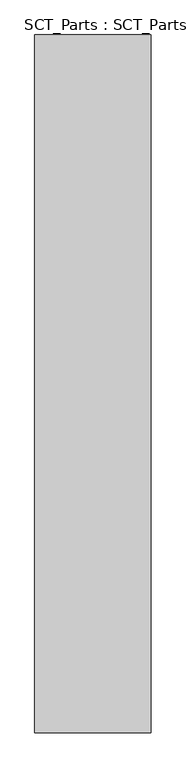
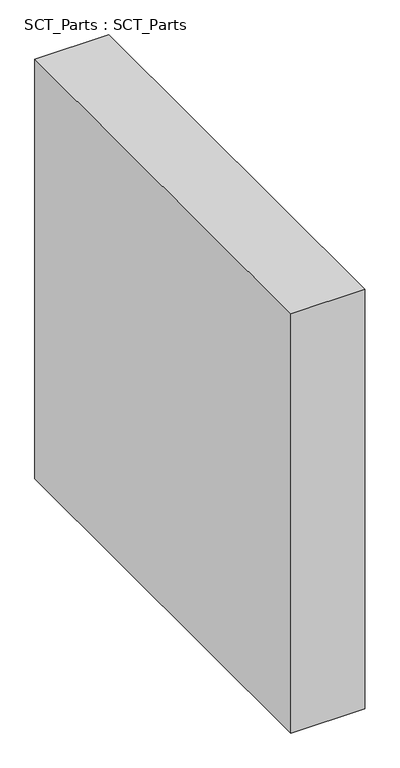
"""IFC4 building model written with IfcOpenShell, lengths in millimetres: proxy geometry, SCT_Parts : SCT_Parts."""

from ifc_helpers import new_model, si_unit, frame, origin, place, context, project, spatial, polyline, outline, extrude, source, transform, mapped, element, save


def sct_parts_sct_parts_e4682021(model_context):
    return source(origin(), model_context, "Body", "SweptSolid", [
        extrude(outline(polyline([(500.0, 3000.0), (500.0, 0.0), (0.0, 0.0), (0.0, 3000.0), (500.0, 3000.0)])), frame((0.0, 0.0, 8000.0), z_axis=(0.0, 0.0, 1.0), x_axis=(1.0, 0.0, 0.0)), (0.0, 0.0, 1.0), 3000.0),
    ])


if __name__ == "__main__":
    model = new_model("IFC4")
    model_context = context("Model", 3, world=origin())
    ifc_project = project(units=[si_unit("LENGTHUNIT", "METRE", prefix="MILLI")], contexts=[model_context])
    site = spatial("IfcSite", under=ifc_project)
    building = spatial("IfcBuilding", under=site)
    placement = place(None, origin())
    sct_parts_sct_parts_shape = sct_parts_sct_parts_e4682021(model_context)
    element("IfcBuildingElementProxy", 1, Name="SCT_Parts : SCT_Parts", ObjectType="SCT_Parts : SCT_Parts", at=placement, inside=building, context=model_context, shape_type="MappedRepresentation", body=[
        mapped(sct_parts_sct_parts_shape, transform((0.0, 0.0, 0.0), x_axis=(1.0, 0.0, 0.0), y_axis=(0.0, 1.0, 0.0), z_axis=(0.0, 0.0, 1.0))),
    ])
    save(model, "model.ifc")
